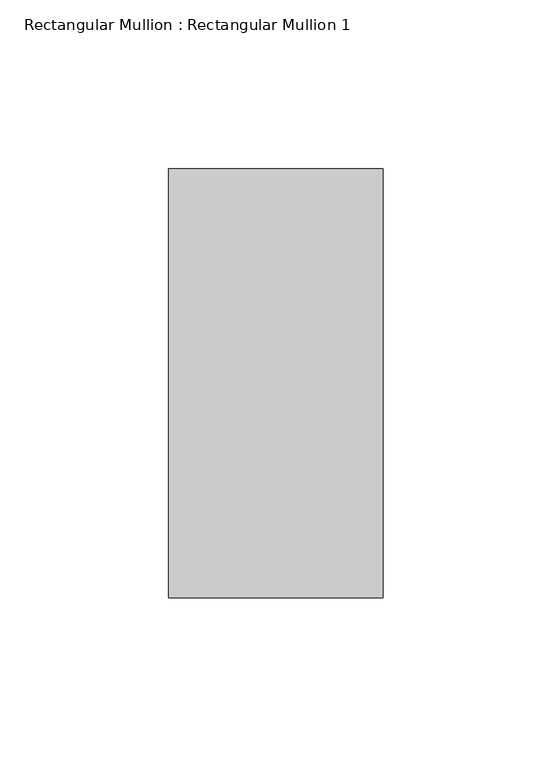
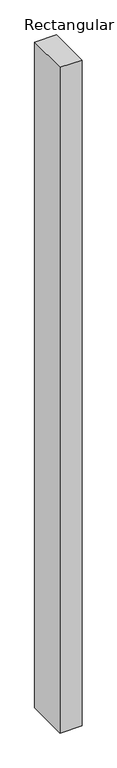
"""IFC4 building model written with IfcOpenShell, lengths in millimetres: member geometry, Rectangular Mullion : Rectangular Mullion 1."""

from ifc_helpers import new_model, si_unit, frame, origin, place, context, project, spatial, polyline, outline, extrude, source, transform, mapped, element, save


def rectangular_mullion_rectangular_mullion_1_f95d5bf5(model_context):
    return source(origin(), model_context, "Body", "SweptSolid", [
        extrude(outline(polyline([(31.75, 63.5), (31.75, -63.5), (-31.75, -63.5), (-31.75, 63.5), (31.75, 63.5)])), frame((0.0, 0.0, -2032.0), z_axis=(0.0, 0.0, 1.0), x_axis=(1.0, 0.0, 0.0)), (0.0, 0.0, 1.0), 2032.0),
    ])


if __name__ == "__main__":
    model = new_model("IFC4")
    model_context = context("Model", 3, world=origin())
    ifc_project = project(units=[si_unit("LENGTHUNIT", "METRE", prefix="MILLI")], contexts=[model_context])
    site = spatial("IfcSite", under=ifc_project)
    building = spatial("IfcBuilding", under=site)
    placement = place(None, origin())
    rectangular_mullion_rectangular_mullion_1_shape = rectangular_mullion_rectangular_mullion_1_f95d5bf5(model_context)
    element("IfcMember", 1, ObjectType="Rectangular Mullion : Rectangular Mullion 1", at=placement, inside=building, context=model_context, shape_type="MappedRepresentation", body=[
        mapped(rectangular_mullion_rectangular_mullion_1_shape, transform((0.0, 0.0, 0.0), x_axis=(1.0, 0.0, 0.0), y_axis=(0.0, 1.0, 0.0), z_axis=(0.0, 0.0, 1.0))),
    ])
    save(model, "model.ifc")
